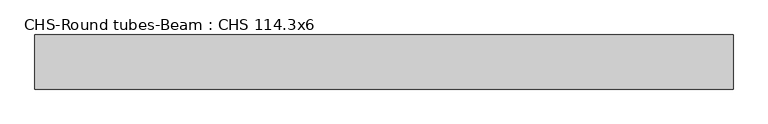
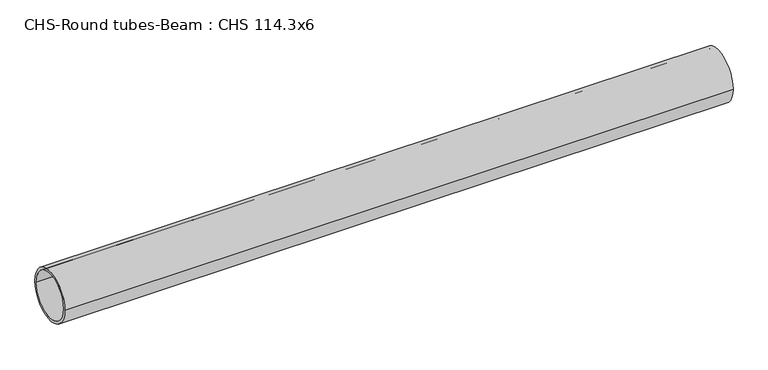
"""IFC4 building model written with IfcOpenShell, lengths in millimetres: beam geometry, CHS-Round tubes-Beam : CHS 114.3x6."""

from ifc_helpers import new_model, si_unit, point, frame, origin, origin_2d, place, context, project, spatial, circle_curve, trimmed, segment, composite_curve, outline, extrude, source, transform, mapped, element, save


def chs_round_tubes_beam_chs_114_3x6_2fe8a2eb(model_context):
    return source(origin(), model_context, "Body", "SweptSolid", [
        extrude(outline(composite_curve([segment(trimmed(circle_curve(origin_2d(), 57.15), [point((57.15, 0.0))], [point((-57.15, 0.0))], False, "CARTESIAN"), True, "CONTINUOUS"), segment(trimmed(circle_curve(origin_2d(), 57.15), [point((-57.15, 0.0))], [point((57.15, 0.0))], False, "CARTESIAN"), True, "CONTINUOUS")], self_intersect=False), holes=[composite_curve([segment(trimmed(circle_curve(origin_2d(), 51.15), [point((51.15, 0.0))], [point((-51.15, 0.0))], True, "CARTESIAN"), True, "CONTINUOUS"), segment(trimmed(circle_curve(origin_2d(), 51.15), [point((-51.15, 0.0))], [point((51.15, 0.0))], True, "CARTESIAN"), True, "CONTINUOUS")], self_intersect=False)]), frame((-745.1896532, 0.0, 0.0), z_axis=(1.0, 0.0, 0.0), x_axis=(0.0, 1.0, 0.0)), (0.0, 0.0, 1.0), 1474.0039923),
    ])


if __name__ == "__main__":
    model = new_model("IFC4")
    model_context = context("Model", 3, world=origin())
    ifc_project = project(units=[si_unit("LENGTHUNIT", "METRE", prefix="MILLI")], contexts=[model_context])
    site = spatial("IfcSite", under=ifc_project)
    building = spatial("IfcBuilding", under=site)
    placement = place(None, origin())
    chs_round_tubes_beam_chs_114_3x6_shape = chs_round_tubes_beam_chs_114_3x6_2fe8a2eb(model_context)
    element("IfcBeam", 1, ObjectType="CHS-Round tubes-Beam : CHS 114.3x6", at=placement, inside=building, context=model_context, shape_type="MappedRepresentation", body=[
        mapped(chs_round_tubes_beam_chs_114_3x6_shape, transform((0.0, 0.0, 0.0), x_axis=(1.0, 0.0, 0.0), y_axis=(0.0, 1.0, 0.0), z_axis=(0.0, 0.0, 1.0))),
    ])
    save(model, "model.ifc")
